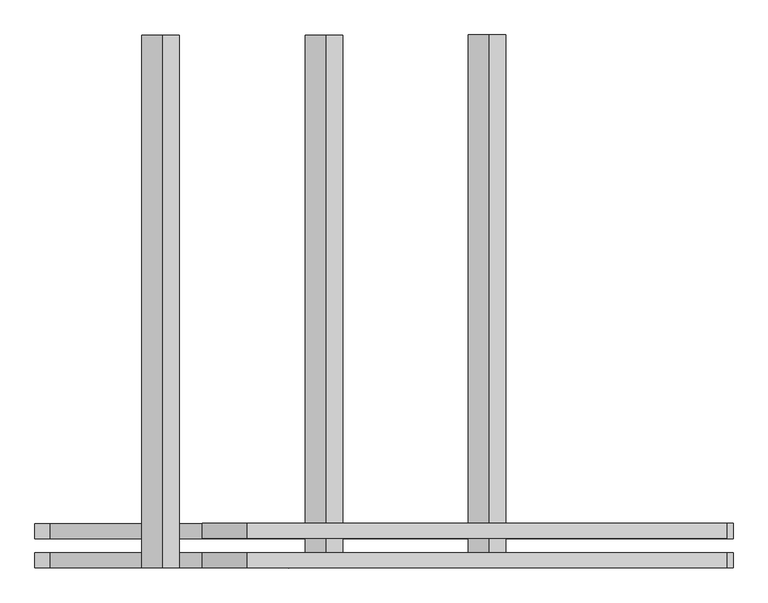
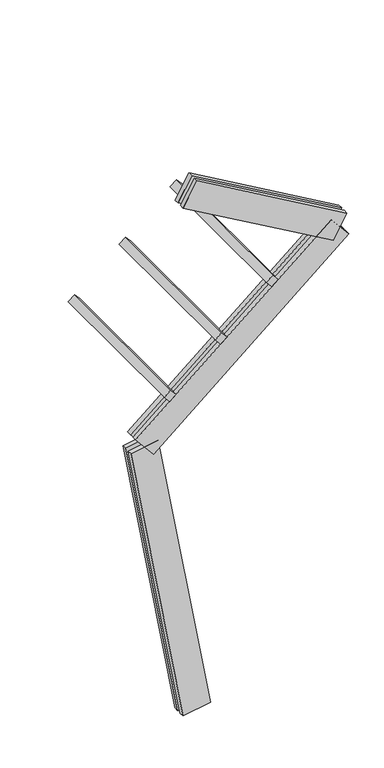
"""IFC4 building model written with IfcOpenShell, lengths in millimetres: proxy geometry."""

from ifc_helpers import new_model, si_unit, frame, origin, place, context, project, spatial, polyline, outline, extrude, source, transform, mapped, element, save


def generic_models_04c2d296(model_context):
    return source(origin(), model_context, "Body", "SweptSolid", [
        extrude(outline(polyline([(1500.0, 0.0), (0.0, 0.0), (0.0, 75.0), (1500.0, 75.0), (1500.0, 0.0)])), frame((-185.3274204, -62.5, 3060.0606031), z_axis=(-0.642787609686539, 0.0, 0.7660444431189782), x_axis=(0.0, 1.0, 0.0)), (0.0, 0.0, 1.0), 75.0),
        extrude(outline(polyline([(1500.0, 0.0), (0.0, 0.0), (0.0, 75.0), (1500.0, 75.0), (1500.0, 0.0)])), frame((274.2992454, -62.5, 3445.7331689), z_axis=(-0.642787609686539, 0.0, 0.7660444431189782), x_axis=(0.0, 1.0, 0.0)), (0.0, 0.0, 1.0), 75.0),
        extrude(outline(polyline([(1500.0, 0.0), (0.0, 0.0), (0.0, 75.0), (1500.0, 75.0), (1500.0, 0.0)])), frame((733.9259113, -62.5, 3831.4057347), z_axis=(-0.642787609686539, 0.0, 0.7660444431189782), x_axis=(0.0, 1.0, 0.0)), (0.0, 0.0, 1.0), 75.0),
        extrude(outline(polyline([(1560.0, 125.0), (1560.0, 82.5), (0.0, 82.5), (0.0, 125.0), (1560.0, 125.0)])), frame((1230.5521395, 62.5, 4029.1392599), z_axis=(0.5000000000000021, 0.0, 0.8660254037844375), x_axis=(-0.8660254037844375, 0.0, 0.5000000000000021)), (0.0, 0.0, 1.0), 250.0),
        extrude(outline(polyline([(0.0, 0.0), (0.0, 42.5), (1560.0, 42.5), (1560.0, 0.0), (0.0, 0.0)])), frame((1230.5521395, 62.5, 4029.1392599), z_axis=(0.5000000000000021, 0.0, 0.8660254037844375), x_axis=(-0.8660254037844375, 0.0, 0.5000000000000021)), (0.0, 0.0, 1.0), 250.0),
        extrude(outline(polyline([(2300.0, 125.0), (2300.0, 82.5), (0.0, 82.5), (0.0, 125.0), (2300.0, 125.0)])), frame((1373.4005907, 62.5, 4041.63688), z_axis=(-0.642787609686539, 0.0, 0.7660444431189782), x_axis=(-0.7660444431189782, 0.0, -0.642787609686539)), (0.0, 0.0, 1.0), 250.0),
        extrude(outline(polyline([(0.0, 0.0), (0.0, 42.5), (2300.0, 42.5), (2300.0, 0.0), (0.0, 0.0)])), frame((1373.4005907, 62.5, 4041.63688), z_axis=(-0.642787609686539, 0.0, 0.7660444431189782), x_axis=(-0.7660444431189782, 0.0, -0.642787609686539)), (0.0, 0.0, 1.0), 250.0),
        extrude(outline(polyline([(-125.0, 249.9999999), (-82.5, 249.9999999), (-82.5, 0.0), (-125.0, 0.0), (-125.0, 249.9999999)])), frame((123.1009691, 62.5, 21.7060222), z_axis=(-0.17364817766693158, 0.0, 0.9848077530122079), x_axis=(0.0, 1.0, 0.0)), (0.0, 0.0, 1.0), 2700.0),
        extrude(outline(polyline([(0.0, 0.0), (-42.5, 0.0), (-42.5, 249.9999999), (0.0, 249.9999999), (0.0, 0.0)])), frame((123.1009691, 62.5, 21.7060222), z_axis=(-0.17364817766693158, 0.0, 0.9848077530122079), x_axis=(0.0, 1.0, 0.0)), (0.0, 0.0, 1.0), 2700.0),
    ])


if __name__ == "__main__":
    model = new_model("IFC4")
    model_context = context("Model", 3, world=origin())
    ifc_project = project(units=[si_unit("LENGTHUNIT", "METRE", prefix="MILLI")], contexts=[model_context])
    site = spatial("IfcSite", under=ifc_project)
    building = spatial("IfcBuilding", under=site)
    placement = place(None, origin())
    generic_models_shape = generic_models_04c2d296(model_context)
    element("IfcBuildingElementProxy", 1, Name="Generic Models", at=placement, inside=building, context=model_context, shape_type="MappedRepresentation", body=[
        mapped(generic_models_shape, transform((0.0, 0.0, 0.0), x_axis=(1.0, 0.0, 0.0), y_axis=(0.0, 1.0, 0.0), z_axis=(0.0, 0.0, 1.0))),
    ])
    save(model, "model.ifc")
